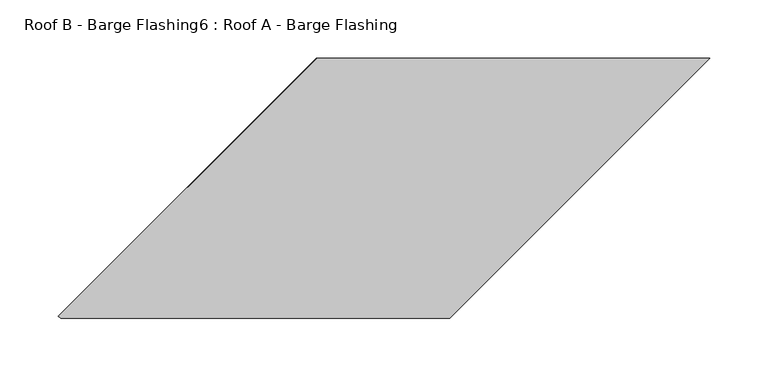
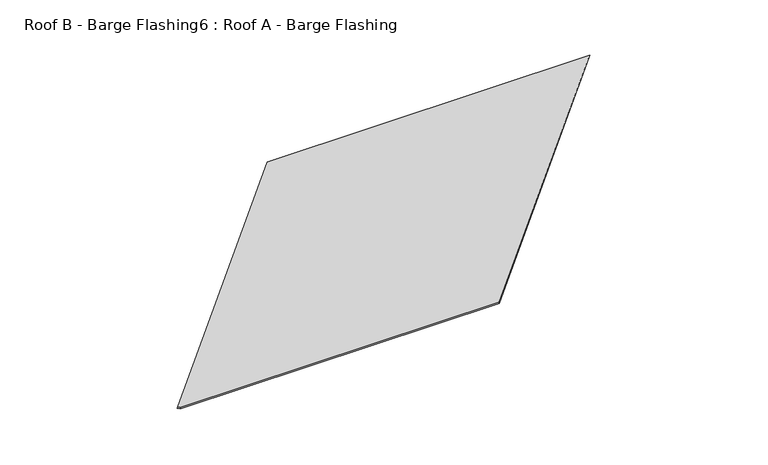
"""IFC4 building model written with IfcOpenShell, lengths in millimetres: proxy geometry, Roof B - Barge Flashing6 : Roof A - Barge Flashing."""

from ifc_helpers import new_model, si_unit, origin, place, context, project, spatial, faceted_brep, source, transform, mapped, element, save


def roof_b_barge_flashing6_roof_a_barge_flashing_38ce658c(model_context):
    return source(origin(), model_context, "Body", "Brep", [
        faceted_brep([(11789.8230992, 8990.5950844, 3147.9403681), (11568.3230036, 8769.0949888, 3088.5895964), (11570.1156526, 8767.3023398, 3088.1092575), (11904.1121148, 8767.3023398, 3088.1092575), (12127.4048593, 8990.5950844, 3147.9403681), (11568.1159484, 8769.302044, 3086.9886348), (11789.4089887, 8990.5950844, 3146.2839262), (12126.9907488, 8990.5950844, 3146.2839262), (11903.6980043, 8767.3023398, 3086.4528156), (11570.1156526, 8767.3023398, 3086.4528156)], [[[0, 1, 2, 3, 4]], [[5, 1, 0, 6]], [[5, 6, 7, 8, 9]], [[7, 4, 3, 8]], [[1, 5, 9, 2]], [[0, 4, 7, 6]], [[3, 2, 9, 8]]]),
    ])


if __name__ == "__main__":
    model = new_model("IFC4")
    model_context = context("Model", 3, world=origin())
    ifc_project = project(units=[si_unit("LENGTHUNIT", "METRE", prefix="MILLI")], contexts=[model_context])
    site = spatial("IfcSite", under=ifc_project)
    building = spatial("IfcBuilding", under=site)
    placement = place(None, origin())
    roof_b_barge_flashing6_roof_a_barge_flashing_shape = roof_b_barge_flashing6_roof_a_barge_flashing_38ce658c(model_context)
    element("IfcBuildingElementProxy", 1, Name="Roof B - Barge Flashing6 : Roof A - Barge Flashing", ObjectType="Roof B - Barge Flashing6 : Roof A - Barge Flashing", at=placement, inside=building, context=model_context, shape_type="MappedRepresentation", body=[
        mapped(roof_b_barge_flashing6_roof_a_barge_flashing_shape, transform((0.0, 0.0, 0.0), x_axis=(1.0, 0.0, 0.0), y_axis=(0.0, 1.0, 0.0), z_axis=(0.0, 0.0, 1.0))),
    ])
    save(model, "model.ifc")
